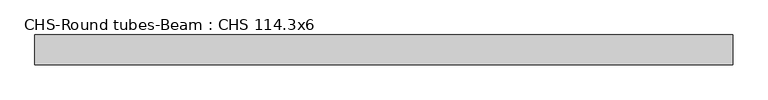
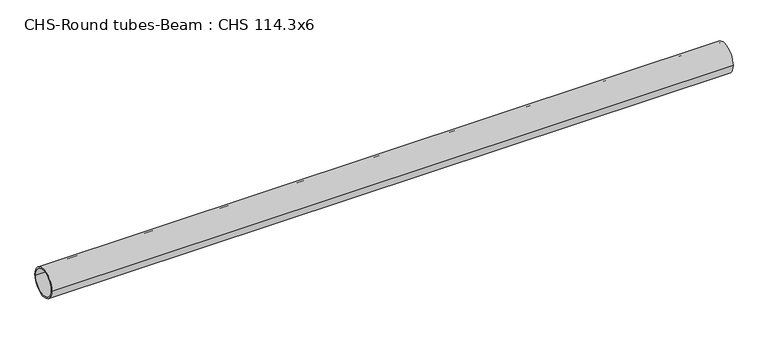
"""IFC4 building model written with IfcOpenShell, lengths in millimetres: beam geometry, CHS-Round tubes-Beam : CHS 114.3x6."""

from ifc_helpers import new_model, si_unit, point, frame, origin, origin_2d, place, context, project, spatial, circle_curve, trimmed, segment, composite_curve, outline, extrude, source, transform, mapped, element, save


def chs_round_tubes_beam_chs_114_3x6_296c1d4a(model_context):
    return source(origin(), model_context, "Body", "SweptSolid", [
        extrude(outline(composite_curve([segment(trimmed(circle_curve(origin_2d(), 57.15), [point((57.15, 0.0))], [point((-57.15, 0.0))], False, "CARTESIAN"), True, "CONTINUOUS"), segment(trimmed(circle_curve(origin_2d(), 57.15), [point((-57.15, 0.0))], [point((57.15, 0.0))], False, "CARTESIAN"), True, "CONTINUOUS")], self_intersect=False), holes=[composite_curve([segment(trimmed(circle_curve(origin_2d(), 51.15), [point((51.15, 0.0))], [point((-51.15, 0.0))], True, "CARTESIAN"), True, "CONTINUOUS"), segment(trimmed(circle_curve(origin_2d(), 51.15), [point((-51.15, 0.0))], [point((51.15, 0.0))], True, "CARTESIAN"), True, "CONTINUOUS")], self_intersect=False)]), frame((-1255.9402255, 0.0, 0.0), z_axis=(1.0, 0.0, 0.0), x_axis=(0.0, 1.0, 0.0)), (0.0, 0.0, 1.0), 2669.9144443),
    ])


if __name__ == "__main__":
    model = new_model("IFC4")
    model_context = context("Model", 3, world=origin())
    ifc_project = project(units=[si_unit("LENGTHUNIT", "METRE", prefix="MILLI")], contexts=[model_context])
    site = spatial("IfcSite", under=ifc_project)
    building = spatial("IfcBuilding", under=site)
    placement = place(None, origin())
    chs_round_tubes_beam_chs_114_3x6_shape = chs_round_tubes_beam_chs_114_3x6_296c1d4a(model_context)
    element("IfcBeam", 1, ObjectType="CHS-Round tubes-Beam : CHS 114.3x6", at=placement, inside=building, context=model_context, shape_type="MappedRepresentation", body=[
        mapped(chs_round_tubes_beam_chs_114_3x6_shape, transform((0.0, 0.0, 0.0), x_axis=(1.0, 0.0, 0.0), y_axis=(0.0, 1.0, 0.0), z_axis=(0.0, 0.0, 1.0))),
    ])
    save(model, "model.ifc")
